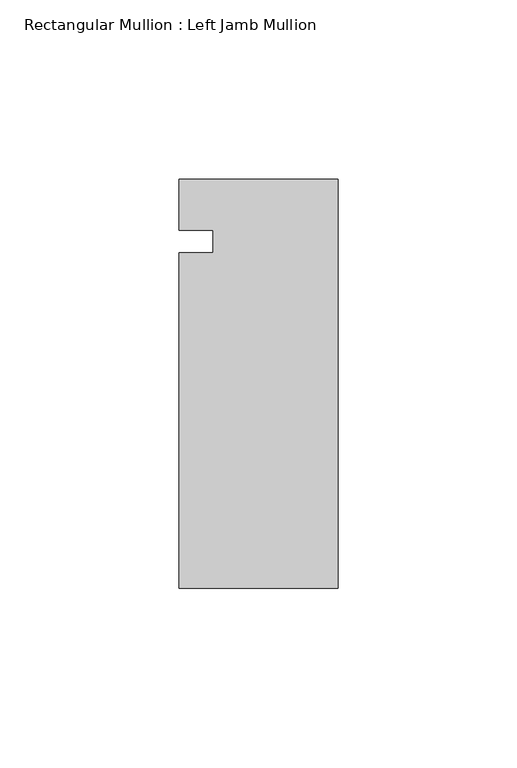
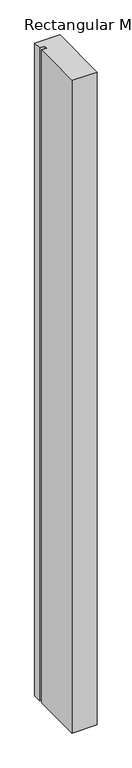
"""IFC4 building model written with IfcOpenShell, lengths in millimetres: member geometry, Rectangular Mullion : Left Jamb Mullion."""

from ifc_helpers import new_model, si_unit, frame, origin, place, context, project, spatial, polyline, outline, extrude, source, transform, mapped, element, save


def rectangular_mullion_left_jamb_mullion_c9462bfc(model_context):
    return source(origin(), model_context, "Body", "SweptSolid", [
        extrude(outline(polyline([(0.0, -96.8248), (-44.45, -96.8248), (-44.45, -3.175), (-34.925, -3.175), (-34.925, 3.175), (-44.45, 3.175), (-44.45, 17.4752), (0.0, 17.4752), (0.0, -96.8248)])), frame((0.0, 0.0, -1219.2), z_axis=(0.0, 0.0, 1.0), x_axis=(1.0, 0.0, 0.0)), (0.0, 0.0, 1.0), 1219.2),
    ])


if __name__ == "__main__":
    model = new_model("IFC4")
    model_context = context("Model", 3, world=origin())
    ifc_project = project(units=[si_unit("LENGTHUNIT", "METRE", prefix="MILLI")], contexts=[model_context])
    site = spatial("IfcSite", under=ifc_project)
    building = spatial("IfcBuilding", under=site)
    placement = place(None, origin())
    rectangular_mullion_left_jamb_mullion_shape = rectangular_mullion_left_jamb_mullion_c9462bfc(model_context)
    element("IfcMember", 1, ObjectType="Rectangular Mullion : Left Jamb Mullion", at=placement, inside=building, context=model_context, shape_type="MappedRepresentation", body=[
        mapped(rectangular_mullion_left_jamb_mullion_shape, transform((0.0, 0.0, 0.0), x_axis=(1.0, 0.0, 0.0), y_axis=(0.0, 1.0, 0.0), z_axis=(0.0, 0.0, 1.0))),
    ])
    save(model, "model.ifc")
